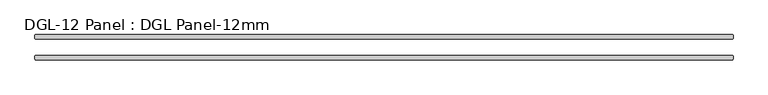
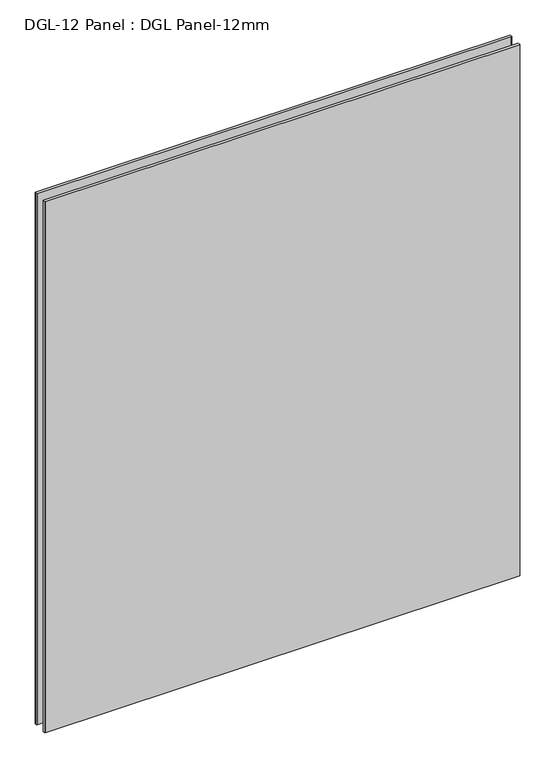
"""IFC4 building model written with IfcOpenShell, lengths in millimetres: plate geometry, DGL-12 Panel : DGL Panel-12mm."""

from ifc_helpers import new_model, si_unit, origin, origin_with_axes, place, context, project, spatial, polyline, outline, extrude, source, transform, mapped, element, save


def dgl_12_panel_dgl_panel_12mm_1e649825(model_context):
    return source(origin(), model_context, "Body", "SweptSolid", [
        extrude(outline(polyline([(988.4171875, -22.9195313), (990.0046875, -24.5070313), (990.0046875, -34.0320313), (988.4171875, -35.6195313), (-988.4171875, -35.6195313), (-990.0046875, -34.0320313), (-990.0046875, -24.5070313), (-988.4171875, -22.9195313), (988.4171875, -22.9195313)])), origin_with_axes(), (0.0, 0.0, 1.0), 2339.4622278),
        extrude(outline(polyline([(988.4171875, 35.6195312), (990.0046875, 34.0320312), (990.0046875, 24.5070312), (988.4171875, 22.9195312), (-988.4171875, 22.9195312), (-990.0046875, 24.5070312), (-990.0046875, 34.0320312), (-988.4171875, 35.6195312), (988.4171875, 35.6195312)])), origin_with_axes(), (0.0, 0.0, 1.0), 2339.4622278),
    ])


if __name__ == "__main__":
    model = new_model("IFC4")
    model_context = context("Model", 3, world=origin())
    ifc_project = project(units=[si_unit("LENGTHUNIT", "METRE", prefix="MILLI")], contexts=[model_context])
    site = spatial("IfcSite", under=ifc_project)
    building = spatial("IfcBuilding", under=site)
    placement = place(None, origin())
    dgl_12_panel_dgl_panel_12mm_shape = dgl_12_panel_dgl_panel_12mm_1e649825(model_context)
    element("IfcPlate", 1, ObjectType="DGL-12 Panel : DGL Panel-12mm", at=placement, inside=building, context=model_context, shape_type="MappedRepresentation", body=[
        mapped(dgl_12_panel_dgl_panel_12mm_shape, transform((0.0, 0.0, 0.0), x_axis=(1.0, 0.0, 0.0), y_axis=(0.0, 1.0, 0.0), z_axis=(0.0, 0.0, 1.0))),
    ])
    save(model, "model.ifc")
